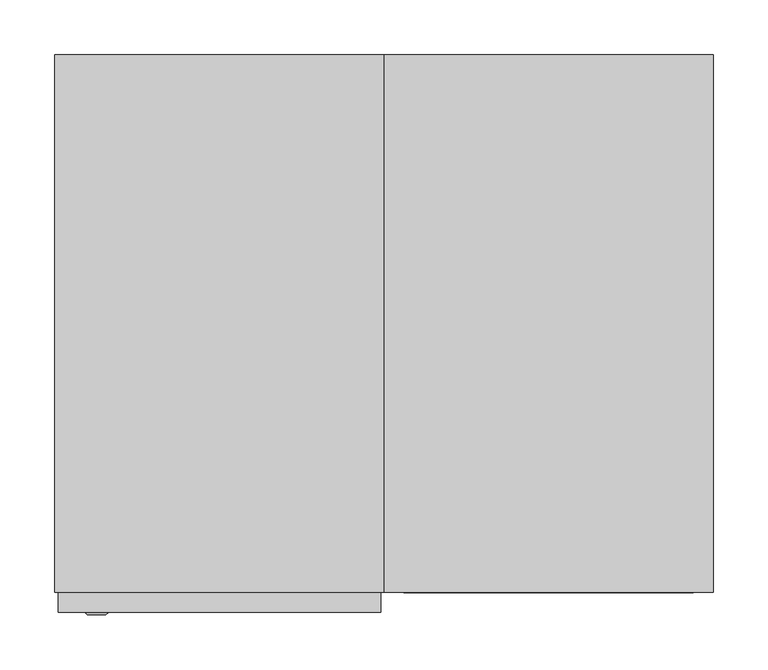
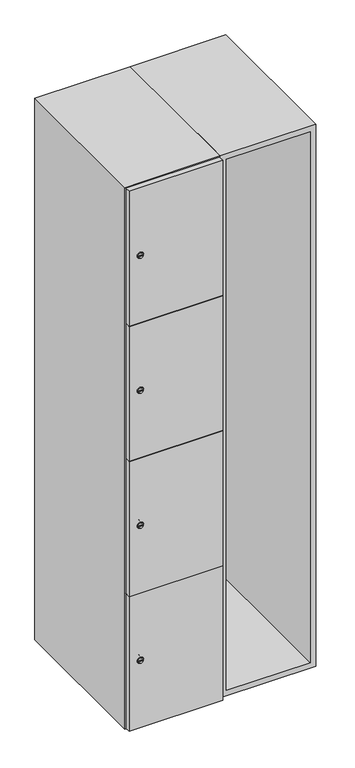
"""IFC4 building model written with IfcOpenShell, lengths in millimetres: furniture geometry."""

from ifc_helpers import new_model, si_unit, point, frame, frame_2d, origin, place, context, project, spatial, polyline, circle_curve, trimmed, segment, composite_curve, outline, extrude, faceted_brep, source, transform, mapped, element, save
from ifc_brep_helpers import plane_surface, revolved_surface, advanced_brep


def furniture_35e2dd25(model_context):
    return source(origin(), model_context, "Body", "SolidModel", [
        faceted_brep([(400.0, -245.0, 100.0), (400.0, -245.0, 1900.0), (100.0, -245.0, 1900.0), (100.0, -245.0, 100.0), (382.0, -245.0, 1882.0), (382.0, -245.0, 118.0), (118.0, -245.0, 118.0), (118.0, -245.0, 1882.0), (400.0, 245.0, 100.0), (100.0, 245.0, 100.0), (400.0, 245.0, 1900.0), (100.0, 245.0, 1900.0), (382.0, 227.0, 1882.0), (382.0, 227.0, 118.0), (100.0, 245.0, 1882.0), (118.0, 227.0, 1882.0), (118.0, 227.0, 118.0)], [[[0, 1, 2, 3], [4, 5, 6, 7]], [[8, 0, 3, 9]], [[1, 0, 8, 10]], [[1, 10, 11, 2]], [[4, 12, 13, 5]], [[9, 3, 2, 11, 14]], [[10, 8, 9, 14, 11]], [[12, 15, 16, 13]], [[15, 7, 6, 16]], [[4, 7, 15, 12]], [[6, 5, 13, 16]]]),
        extrude(outline(composite_curve([segment(trimmed(circle_curve(frame_2d((327.25, -188.7989466)), 7.0), [point((334.25, -188.7989466))], [point((320.25, -188.7989466))], False, "CARTESIAN"), True, "CONTINUOUS"), segment(polyline([(320.25, -188.7989466), (320.25, -160.7989466)]), True, "CONTINUOUS"), segment(trimmed(circle_curve(frame_2d((327.25, -160.7989466)), 7.0), [point((320.25, -160.7989466))], [point((334.25, -160.7989466))], False, "CARTESIAN"), True, "CONTINUOUS"), segment(polyline([(334.25, -160.7989466), (334.25, -188.7989466)]), True, "CONTINUOUS")], self_intersect=False)), frame((0.0, -245.0, 0.0), z_axis=(0.0, 1.0, 0.0), x_axis=(0.0, 0.0, 1.0)), (0.0, 0.0, 1.0), 2.0),
        advanced_brep(
        [(-153.5, -265.2, 327.25), (-170.5, -265.2, 327.25), (-167.0, -265.2, 326.0), (-167.0, -265.2, 328.5), (-157.0, -265.2, 328.5), (-157.0, -265.2, 326.0), (-151.5, -263.0, 327.25), (-172.5, -263.0, 327.25), (-167.0, -263.0, 328.5), (-167.0, -263.0, 326.0), (-157.0, -263.0, 326.0), (-157.0, -263.0, 328.5)],
        [
            (0, 1, circle_curve(frame((-162.0, -265.2, 327.25), z_axis=(0.0, -1.0, 0.0), x_axis=(1.0, 0.0, 0.0)), 8.5)),
            (1, 0, circle_curve(frame((-162.0, -265.2, 327.25), z_axis=(0.0, -1.0, 0.0), x_axis=(-1.0, 0.0, 0.0)), 8.5)),
            (2, 3),
            (3, 4),
            (4, 5),
            (5, 2),
            (6, 7, circle_curve(frame((-162.0, -263.0, 327.25), z_axis=(0.0, 1.0, 0.0), x_axis=(-1.0, 0.0, 0.0)), 10.5)),
            (7, 6, circle_curve(frame((-162.0, -263.0, 327.25), z_axis=(0.0, 1.0, 0.0), x_axis=(1.0, 0.0, 0.0)), 10.5)),
            (8, 9),
            (9, 10),
            (10, 11),
            (11, 8),
            (0, 6),
            (7, 1),
            (8, 3),
            (2, 9),
            (11, 4),
            (10, 5),
        ],
        [
            plane_surface(frame((-162.0, -265.2, 327.25), z_axis=(0.0, -1.0, 0.0), x_axis=(0.0, 0.0, 1.0))),
            plane_surface(frame((-162.0, -263.0, 327.25), z_axis=(0.0, 1.0, 0.0), x_axis=(0.0, 0.0, 1.0))),
            revolved_surface(polyline([(-153.5, -265.2, 327.25), (-151.5, -263.0, 327.25)]), (-162.0, -274.55, 327.25), (0.0, 1.0, 0.0)),
            revolved_surface(polyline([(-170.5, -265.2, 327.25), (-172.5, -263.0, 327.25)]), (-162.0, -274.55, 327.25), (0.0, 1.0, 0.0)),
            plane_surface(frame((-167.0, -263.0, 326.0), z_axis=(1.0, 0.0, 0.0), x_axis=(0.0, -1.0, 0.0))),
            plane_surface(frame((-167.0, -263.0, 328.5), z_axis=(0.0, 0.0, -1.0), x_axis=(0.0, -1.0, 0.0))),
            plane_surface(frame((-157.0, -263.0, 328.5), z_axis=(-1.0, 0.0, 0.0), x_axis=(0.0, -1.0, 0.0))),
            plane_surface(frame((-157.0, -263.0, 326.0), z_axis=(0.0, 0.0, 1.0), x_axis=(0.0, -1.0, 0.0))),
        ],
        [
            (0, [[1, 2], [3, 4, 5, 6]]),
            (1, [[7, 8], [9, 10, 11, 12]]),
            (2, [[-1, 13, -8, 14]]),
            (3, [[-2, -14, -7, -13]]),
            (4, [[15, -3, 16, -9]]),
            (5, [[-15, -12, 17, -4]]),
            (6, [[-17, -11, 18, -5]]),
            (7, [[-16, -6, -18, -10]]),
        ],
    ),
        extrude(outline(composite_curve([segment(trimmed(circle_curve(frame_2d((775.75, -188.7989466)), 7.0), [point((782.75, -188.7989466))], [point((768.75, -188.7989466))], False, "CARTESIAN"), True, "CONTINUOUS"), segment(polyline([(768.75, -188.7989466), (768.75, -160.7989466)]), True, "CONTINUOUS"), segment(trimmed(circle_curve(frame_2d((775.75, -160.7989466)), 7.0), [point((768.75, -160.7989466))], [point((782.75, -160.7989466))], False, "CARTESIAN"), True, "CONTINUOUS"), segment(polyline([(782.75, -160.7989466), (782.75, -188.7989466)]), True, "CONTINUOUS")], self_intersect=False)), frame((0.0, -245.0, 0.0), z_axis=(0.0, 1.0, 0.0), x_axis=(0.0, 0.0, 1.0)), (0.0, 0.0, 1.0), 2.0),
        advanced_brep(
        [(-153.5, -265.2, 775.75), (-170.5, -265.2, 775.75), (-167.0, -265.2, 774.5), (-167.0, -265.2, 777.0), (-157.0, -265.2, 777.0), (-157.0, -265.2, 774.5), (-151.5, -263.0, 775.75), (-172.5, -263.0, 775.75), (-167.0, -263.0, 777.0), (-167.0, -263.0, 774.5), (-157.0, -263.0, 774.5), (-157.0, -263.0, 777.0)],
        [
            (0, 1, circle_curve(frame((-162.0, -265.2, 775.75), z_axis=(0.0, -1.0, 0.0), x_axis=(1.0, 0.0, 0.0)), 8.5)),
            (1, 0, circle_curve(frame((-162.0, -265.2, 775.75), z_axis=(0.0, -1.0, 0.0), x_axis=(-1.0, 0.0, 0.0)), 8.5)),
            (2, 3),
            (3, 4),
            (4, 5),
            (5, 2),
            (6, 7, circle_curve(frame((-162.0, -263.0, 775.75), z_axis=(0.0, 1.0, 0.0), x_axis=(-1.0, 0.0, 0.0)), 10.5)),
            (7, 6, circle_curve(frame((-162.0, -263.0, 775.75), z_axis=(0.0, 1.0, 0.0), x_axis=(1.0, 0.0, 0.0)), 10.5)),
            (8, 9),
            (9, 10),
            (10, 11),
            (11, 8),
            (0, 6),
            (7, 1),
            (8, 3),
            (2, 9),
            (11, 4),
            (10, 5),
        ],
        [
            plane_surface(frame((-162.0, -265.2, 775.75), z_axis=(0.0, -1.0, 0.0), x_axis=(0.0, 0.0, 1.0))),
            plane_surface(frame((-162.0, -263.0, 775.75), z_axis=(0.0, 1.0, 0.0), x_axis=(0.0, 0.0, 1.0))),
            revolved_surface(polyline([(-153.5, -265.2, 775.75), (-151.5, -263.0, 775.75)]), (-162.0, -274.55, 775.75), (0.0, 1.0, 0.0)),
            revolved_surface(polyline([(-170.5, -265.2, 775.75), (-172.5, -263.0, 775.75)]), (-162.0, -274.55, 775.75), (0.0, 1.0, 0.0)),
            plane_surface(frame((-167.0, -263.0, 774.5), z_axis=(1.0, 0.0, 0.0), x_axis=(0.0, -1.0, 0.0))),
            plane_surface(frame((-167.0, -263.0, 777.0), z_axis=(0.0, 0.0, -1.0), x_axis=(0.0, -1.0, 0.0))),
            plane_surface(frame((-157.0, -263.0, 777.0), z_axis=(-1.0, 0.0, 0.0), x_axis=(0.0, -1.0, 0.0))),
            plane_surface(frame((-157.0, -263.0, 774.5), z_axis=(0.0, 0.0, 1.0), x_axis=(0.0, -1.0, 0.0))),
        ],
        [
            (0, [[1, 2], [3, 4, 5, 6]]),
            (1, [[7, 8], [9, 10, 11, 12]]),
            (2, [[-1, 13, -8, 14]]),
            (3, [[-2, -14, -7, -13]]),
            (4, [[15, -3, 16, -9]]),
            (5, [[-15, -12, 17, -4]]),
            (6, [[-17, -11, 18, -5]]),
            (7, [[-16, -6, -18, -10]]),
        ],
    ),
        extrude(outline(composite_curve([segment(trimmed(circle_curve(frame_2d((1224.25, -188.7989466)), 7.0), [point((1231.25, -188.7989466))], [point((1217.25, -188.7989466))], False, "CARTESIAN"), True, "CONTINUOUS"), segment(polyline([(1217.25, -188.7989466), (1217.25, -160.7989466)]), True, "CONTINUOUS"), segment(trimmed(circle_curve(frame_2d((1224.25, -160.7989466)), 7.0), [point((1217.25, -160.7989466))], [point((1231.25, -160.7989466))], False, "CARTESIAN"), True, "CONTINUOUS"), segment(polyline([(1231.25, -160.7989466), (1231.25, -188.7989466)]), True, "CONTINUOUS")], self_intersect=False)), frame((0.0, -245.0, 0.0), z_axis=(0.0, 1.0, 0.0), x_axis=(0.0, 0.0, 1.0)), (0.0, 0.0, 1.0), 2.0),
        advanced_brep(
        [(-153.5, -265.2, 1224.25), (-170.5, -265.2, 1224.25), (-167.0, -265.2, 1223.0), (-167.0, -265.2, 1225.5), (-157.0, -265.2, 1225.5), (-157.0, -265.2, 1223.0), (-151.5, -263.0, 1224.25), (-172.5, -263.0, 1224.25), (-167.0, -263.0, 1225.5), (-167.0, -263.0, 1223.0), (-157.0, -263.0, 1223.0), (-157.0, -263.0, 1225.5)],
        [
            (0, 1, circle_curve(frame((-162.0, -265.2, 1224.25), z_axis=(0.0, -1.0, 0.0), x_axis=(1.0, 0.0, 0.0)), 8.5)),
            (1, 0, circle_curve(frame((-162.0, -265.2, 1224.25), z_axis=(0.0, -1.0, 0.0), x_axis=(-1.0, 0.0, 0.0)), 8.5)),
            (2, 3),
            (3, 4),
            (4, 5),
            (5, 2),
            (6, 7, circle_curve(frame((-162.0, -263.0, 1224.25), z_axis=(0.0, 1.0, 0.0), x_axis=(-1.0, 0.0, 0.0)), 10.5)),
            (7, 6, circle_curve(frame((-162.0, -263.0, 1224.25), z_axis=(0.0, 1.0, 0.0), x_axis=(1.0, 0.0, 0.0)), 10.5)),
            (8, 9),
            (9, 10),
            (10, 11),
            (11, 8),
            (0, 6),
            (7, 1),
            (8, 3),
            (2, 9),
            (11, 4),
            (10, 5),
        ],
        [
            plane_surface(frame((-162.0, -265.2, 1224.25), z_axis=(0.0, -1.0, 0.0), x_axis=(0.0, 0.0, 1.0))),
            plane_surface(frame((-162.0, -263.0, 1224.25), z_axis=(0.0, 1.0, 0.0), x_axis=(0.0, 0.0, 1.0))),
            revolved_surface(polyline([(-153.5, -265.2, 1224.25), (-151.5, -263.0, 1224.25)]), (-162.0, -274.55, 1224.25), (0.0, 1.0, 0.0)),
            revolved_surface(polyline([(-170.5, -265.2, 1224.25), (-172.5, -263.0, 1224.25)]), (-162.0, -274.55, 1224.25), (0.0, 1.0, 0.0)),
            plane_surface(frame((-167.0, -263.0, 1223.0), z_axis=(1.0, 0.0, 0.0), x_axis=(0.0, -1.0, 0.0))),
            plane_surface(frame((-167.0, -263.0, 1225.5), z_axis=(0.0, 0.0, -1.0), x_axis=(0.0, -1.0, 0.0))),
            plane_surface(frame((-157.0, -263.0, 1225.5), z_axis=(-1.0, 0.0, 0.0), x_axis=(0.0, -1.0, 0.0))),
            plane_surface(frame((-157.0, -263.0, 1223.0), z_axis=(0.0, 0.0, 1.0), x_axis=(0.0, -1.0, 0.0))),
        ],
        [
            (0, [[1, 2], [3, 4, 5, 6]]),
            (1, [[7, 8], [9, 10, 11, 12]]),
            (2, [[-1, 13, -8, 14]]),
            (3, [[-2, -14, -7, -13]]),
            (4, [[15, -3, 16, -9]]),
            (5, [[-15, -12, 17, -4]]),
            (6, [[-17, -11, 18, -5]]),
            (7, [[-16, -6, -18, -10]]),
        ],
    ),
        extrude(outline(composite_curve([segment(trimmed(circle_curve(frame_2d((1672.75, -188.7989466)), 7.0), [point((1679.75, -188.7989466))], [point((1665.75, -188.7989466))], False, "CARTESIAN"), True, "CONTINUOUS"), segment(polyline([(1665.75, -188.7989466), (1665.75, -160.7989466)]), True, "CONTINUOUS"), segment(trimmed(circle_curve(frame_2d((1672.75, -160.7989466)), 7.0), [point((1665.75, -160.7989466))], [point((1679.75, -160.7989466))], False, "CARTESIAN"), True, "CONTINUOUS"), segment(polyline([(1679.75, -160.7989466), (1679.75, -188.7989466)]), True, "CONTINUOUS")], self_intersect=False)), frame((0.0, -245.0, 0.0), z_axis=(0.0, 1.0, 0.0), x_axis=(0.0, 0.0, 1.0)), (0.0, 0.0, 1.0), 2.0),
        advanced_brep(
        [(-153.5, -265.2, 1672.75), (-170.5, -265.2, 1672.75), (-167.0, -265.2, 1671.5), (-167.0, -265.2, 1674.0), (-157.0, -265.2, 1674.0), (-157.0, -265.2, 1671.5), (-151.5, -263.0, 1672.75), (-172.5, -263.0, 1672.75), (-167.0, -263.0, 1674.0), (-167.0, -263.0, 1671.5), (-157.0, -263.0, 1671.5), (-157.0, -263.0, 1674.0)],
        [
            (0, 1, circle_curve(frame((-162.0, -265.2, 1672.75), z_axis=(0.0, -1.0, 0.0), x_axis=(1.0, 0.0, 0.0)), 8.5)),
            (1, 0, circle_curve(frame((-162.0, -265.2, 1672.75), z_axis=(0.0, -1.0, 0.0), x_axis=(-1.0, 0.0, 0.0)), 8.5)),
            (2, 3),
            (3, 4),
            (4, 5),
            (5, 2),
            (6, 7, circle_curve(frame((-162.0, -263.0, 1672.75), z_axis=(0.0, 1.0, 0.0), x_axis=(-1.0, 0.0, 0.0)), 10.5)),
            (7, 6, circle_curve(frame((-162.0, -263.0, 1672.75), z_axis=(0.0, 1.0, 0.0), x_axis=(1.0, 0.0, 0.0)), 10.5)),
            (8, 9),
            (9, 10),
            (10, 11),
            (11, 8),
            (0, 6),
            (7, 1),
            (8, 3),
            (2, 9),
            (11, 4),
            (10, 5),
        ],
        [
            plane_surface(frame((-162.0, -265.2, 1672.75), z_axis=(0.0, -1.0, 0.0), x_axis=(0.0, 0.0, 1.0))),
            plane_surface(frame((-162.0, -263.0, 1672.75), z_axis=(0.0, 1.0, 0.0), x_axis=(0.0, 0.0, 1.0))),
            revolved_surface(polyline([(-153.5, -265.2, 1672.75), (-151.5, -263.0, 1672.75)]), (-162.0, -274.55, 1672.75), (0.0, 1.0, 0.0)),
            revolved_surface(polyline([(-170.5, -265.2, 1672.75), (-172.5, -263.0, 1672.75)]), (-162.0, -274.55, 1672.75), (0.0, 1.0, 0.0)),
            plane_surface(frame((-167.0, -263.0, 1671.5), z_axis=(1.0, 0.0, 0.0), x_axis=(0.0, -1.0, 0.0))),
            plane_surface(frame((-167.0, -263.0, 1674.0), z_axis=(0.0, 0.0, -1.0), x_axis=(0.0, -1.0, 0.0))),
            plane_surface(frame((-157.0, -263.0, 1674.0), z_axis=(-1.0, 0.0, 0.0), x_axis=(0.0, -1.0, 0.0))),
            plane_surface(frame((-157.0, -263.0, 1671.5), z_axis=(0.0, 0.0, 1.0), x_axis=(0.0, -1.0, 0.0))),
        ],
        [
            (0, [[1, 2], [3, 4, 5, 6]]),
            (1, [[7, 8], [9, 10, 11, 12]]),
            (2, [[-1, 13, -8, 14]]),
            (3, [[-2, -14, -7, -13]]),
            (4, [[15, -3, 16, -9]]),
            (5, [[-15, -12, 17, -4]]),
            (6, [[-17, -11, 18, -5]]),
            (7, [[-16, -6, -18, -10]]),
        ],
    ),
        extrude(outline(polyline([(97.0, -245.0), (97.0, -263.0), (-197.0, -263.0), (-197.0, -245.0), (97.0, -245.0)])), frame((0.0, 0.0, 551.0), z_axis=(0.0, 0.0, 1.0), x_axis=(1.0, 0.0, 0.0)), (0.0, 0.0, 1.0), 448.5),
        extrude(outline(polyline([(97.0, -245.0), (97.0, -263.0), (-197.0, -263.0), (-197.0, -245.0), (97.0, -245.0)])), frame((0.0, 0.0, 1000.5), z_axis=(0.0, 0.0, 1.0), x_axis=(1.0, 0.0, 0.0)), (0.0, 0.0, 1.0), 447.5),
        extrude(outline(polyline([(-197.0, -263.0), (-197.0, -245.0), (97.0, -245.0), (97.0, -263.0), (-197.0, -263.0)])), frame((0.0, 0.0, 1449.0), z_axis=(0.0, 0.0, 1.0), x_axis=(1.0, 0.0, 0.0)), (0.0, 0.0, 1.0), 448.0),
        extrude(outline(polyline([(97.0, -245.0), (97.0, -263.0), (-197.0, -263.0), (-197.0, -245.0), (97.0, -245.0)])), frame((0.0, 0.0, 103.0), z_axis=(0.0, 0.0, 1.0), x_axis=(1.0, 0.0, 0.0)), (0.0, 0.0, 1.0), 449.0),
        extrude(outline(polyline([(82.0, 227.0), (82.0, -227.0), (-182.0, -227.0), (-182.0, 227.0), (82.0, 227.0)])), frame((0.0, 0.0, 1432.0), z_axis=(0.0, 0.0, 1.0), x_axis=(1.0, 0.0, 0.0)), (0.0, 0.0, 1.0), 18.0),
        extrude(outline(polyline([(82.0, 227.0), (82.0, -227.0), (-182.0, -227.0), (-182.0, 227.0), (82.0, 227.0)])), frame((0.0, 0.0, 991.0), z_axis=(0.0, 0.0, 1.0), x_axis=(1.0, 0.0, 0.0)), (0.0, 0.0, 1.0), 18.0),
        extrude(outline(polyline([(82.0, 227.0), (82.0, -227.0), (-182.0, -227.0), (-182.0, 227.0), (82.0, 227.0)])), frame((0.0, 0.0, 550.0), z_axis=(0.0, 0.0, 1.0), x_axis=(1.0, 0.0, 0.0)), (0.0, 0.0, 1.0), 18.0),
        faceted_brep([(100.0, -245.0, 100.0), (100.0, -245.0, 1900.0), (-200.0, -245.0, 1900.0), (-200.0, -245.0, 100.0), (82.0, -245.0, 1882.0), (82.0, -245.0, 118.0), (-182.0, -245.0, 118.0), (-182.0, -245.0, 1882.0), (100.0, 245.0, 100.0), (-200.0, 245.0, 100.0), (100.0, 245.0, 1900.0), (-200.0, 245.0, 1900.0), (82.0, 227.0, 1882.0), (82.0, 227.0, 118.0), (-200.0, 245.0, 1882.0), (-182.0, 227.0, 1882.0), (-182.0, 227.0, 118.0)], [[[0, 1, 2, 3], [4, 5, 6, 7]], [[8, 0, 3, 9]], [[1, 0, 8, 10]], [[1, 10, 11, 2]], [[4, 12, 13, 5]], [[9, 3, 2, 11, 14]], [[10, 8, 9, 14, 11]], [[12, 15, 16, 13]], [[15, 7, 6, 16]], [[4, 7, 15, 12]], [[6, 5, 13, 16]]]),
    ])


if __name__ == "__main__":
    model = new_model("IFC4")
    model_context = context("Model", 3, world=origin())
    ifc_project = project(units=[si_unit("LENGTHUNIT", "METRE", prefix="MILLI")], contexts=[model_context])
    site = spatial("IfcSite", under=ifc_project)
    building = spatial("IfcBuilding", under=site)
    placement = place(None, origin())
    furniture_shape = furniture_35e2dd25(model_context)
    element("IfcFurniture", 1, at=placement, inside=building, context=model_context, shape_type="MappedRepresentation", body=[
        mapped(furniture_shape, transform((0.0, 0.0, 0.0), x_axis=(1.0, 0.0, 0.0), y_axis=(0.0, 1.0, 0.0), z_axis=(0.0, 0.0, 1.0))),
    ])
    save(model, "model.ifc")
